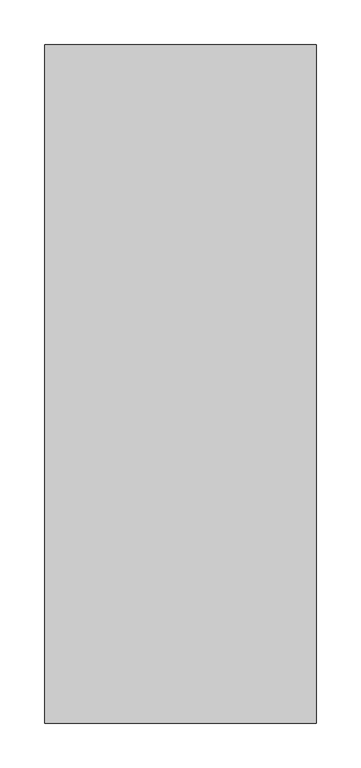
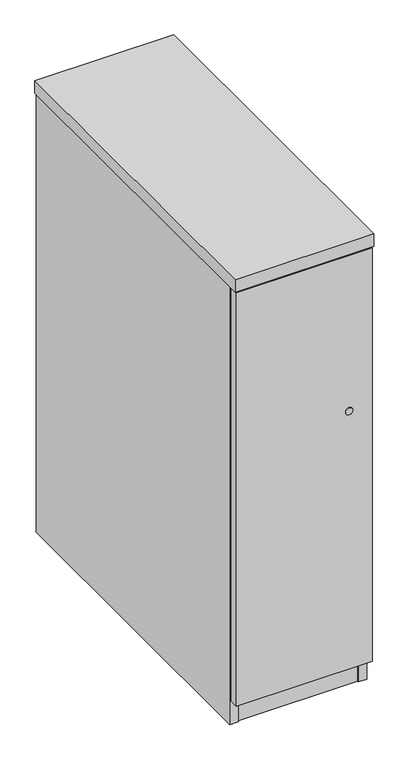
"""IFC4 building model written with IfcOpenShell, lengths in millimetres: furniture geometry."""

from ifc_helpers import new_model, si_unit, point, frame, frame_2d, origin, origin_with_axes, place, context, project, spatial, polyline, circle_curve, trimmed, segment, composite_curve, outline, extrude, source, transform, mapped, element, save


def furniture_11a62db7(model_context):
    return source(origin(), model_context, "Body", "SweptSolid", [
        extrude(outline(polyline([(30.486517, -689.3083769), (46.4343748, -680.1008769), (62.3822326, -689.3083769), (62.3822326, -707.7233769), (46.4343748, -716.9308769), (30.486517, -707.7233769), (30.486517, -689.3083769)])), origin_with_axes(), (0.0, 0.0, 1.0), 9.144),
        extrude(outline(polyline([(242.417767, -689.3083769), (258.3656248, -680.1008769), (274.3134826, -689.3083769), (274.3134826, -707.7233769), (258.3656248, -716.9308769), (242.417767, -707.7233769), (242.417767, -689.3083769)])), origin_with_axes(), (0.0, 0.0, 1.0), 9.144),
        extrude(outline(polyline([(242.417767, -46.4024214), (258.3656248, -37.1949214), (274.3134826, -46.4024214), (274.3134826, -64.8174214), (258.3656248, -74.0249214), (242.417767, -64.8174214), (242.417767, -46.4024214)])), origin_with_axes(), (0.0, 0.0, 1.0), 9.144),
        extrude(outline(polyline([(30.486517, -46.4024214), (46.4343748, -37.1949214), (62.3822326, -46.4024214), (62.3822326, -64.8174214), (46.4343748, -74.0249214), (30.486517, -64.8174214), (30.486517, -46.4024214)])), origin_with_axes(), (0.0, 0.0, 1.0), 9.144),
        extrude(outline(polyline([(283.9085154, -29.6567343), (283.9085154, -742.0610024), (20.8915005, -742.0610024), (20.8915005, -29.6567343), (283.9085154, -29.6567343)])), frame((0.0, 0.0, 785.0326657), z_axis=(0.0, 0.0, 1.0), x_axis=(1.0, 0.0, 0.0)), (0.0, 0.0, 1.0), 19.304),
        extrude(outline(composite_curve([segment(polyline([(-378.7162353, 735.9065257), (-378.7162353, 707.6313621)]), True, "CONTINUOUS"), segment(trimmed(circle_curve(frame_2d((-388.2412353, 707.6313621)), 9.525), [point((-378.7162353, 707.6313621))], [point((-397.7662353, 707.6313621))], False, "CARTESIAN"), True, "CONTINUOUS"), segment(polyline([(-397.7662353, 707.6313621), (-397.7662353, 735.9065257), (-396.1787353, 735.9065257), (-396.1787353, 707.6313621)]), True, "CONTINUOUS"), segment(trimmed(circle_curve(frame_2d((-388.2412353, 707.6313621)), 7.9375), [point((-396.1787353, 707.6313621))], [point((-380.3037353, 707.6313621))], True, "CARTESIAN"), True, "CONTINUOUS"), segment(polyline([(-380.3037353, 707.6313621), (-380.3037353, 735.9065257), (-378.7162353, 735.9065257)]), True, "CONTINUOUS")], self_intersect=False)), frame((265.6459151, 0.0, 0.0), z_axis=(1.0, 0.0, 0.0), x_axis=(0.0, 1.0, 0.0)), (0.0, 0.0, 1.0), 18.2626003),
        extrude(outline(composite_curve([segment(polyline([(-378.7162353, 735.9065257), (-378.7162353, 707.6313621)]), True, "CONTINUOUS"), segment(trimmed(circle_curve(frame_2d((-388.2412353, 707.6313621)), 9.525), [point((-378.7162353, 707.6313621))], [point((-397.7662353, 707.6313621))], False, "CARTESIAN"), True, "CONTINUOUS"), segment(polyline([(-397.7662353, 707.6313621), (-397.7662353, 735.9065257), (-396.1787353, 735.9065257), (-396.1787353, 707.6313621)]), True, "CONTINUOUS"), segment(trimmed(circle_curve(frame_2d((-388.2412353, 707.6313621)), 7.9375), [point((-396.1787353, 707.6313621))], [point((-380.3037353, 707.6313621))], True, "CARTESIAN"), True, "CONTINUOUS"), segment(polyline([(-380.3037353, 707.6313621), (-380.3037353, 735.9065257), (-378.7162353, 735.9065257)]), True, "CONTINUOUS")], self_intersect=False)), frame((20.8915005, 0.0, 0.0), z_axis=(1.0, 0.0, 0.0), x_axis=(0.0, 1.0, 0.0)), (0.0, 0.0, 1.0), 18.2626003),
        extrude(outline(composite_curve([segment(trimmed(circle_curve(frame_2d((-388.4663924, 707.6313621)), 7.4930019), [point((-380.9733905, 707.6313621))], [point((-395.9593944, 707.6313621))], False, "CARTESIAN"), True, "CONTINUOUS"), segment(polyline([(-395.9593944, 707.6313621), (-395.9593944, 722.6428005)]), True, "CONTINUOUS"), segment(trimmed(circle_curve(frame_2d((-388.4663924, 722.6428005)), 7.4930019), [point((-395.9593944, 722.6428005))], [point((-380.9733905, 722.6428005))], False, "CARTESIAN"), True, "CONTINUOUS"), segment(polyline([(-380.9733905, 722.6428005), (-380.9733905, 707.6313621)]), True, "CONTINUOUS")], self_intersect=False)), frame((21.5264999, 0.0, 0.0), z_axis=(1.0, 0.0, 0.0), x_axis=(0.0, 1.0, 0.0)), (0.0, 0.0, 1.0), 261.7470161),
        extrude(outline(polyline([(283.9085154, -742.8230199), (21.5264999, -742.8230199), (21.5264999, -723.5190019), (283.9085154, -723.5190019), (283.9085154, -742.8230199)])), frame((0.0, 0.0, 4.699), z_axis=(0.0, 0.0, 1.0), x_axis=(1.0, 0.0, 0.0)), (0.0, 0.0, 1.0), 55.56758),
        extrude(outline(polyline([(301.6250158, -767.6537353), (3.175, -767.6537353), (3.175, -748.3497537), (301.6250158, -748.3497537), (301.6250158, -767.6537353)])), frame((0.0, 0.0, 60.26658), z_axis=(0.0, 0.0, 1.0), x_axis=(1.0, 0.0, 0.0)), (0.0, 0.0, 1.0), 960.86422),
        extrude(outline(polyline([(283.9085154, -29.6567343), (283.9085154, -744.793745), (20.8915005, -744.793745), (20.8915005, -29.6567343), (283.9085154, -29.6567343)])), frame((0.0, 0.0, 1005.0017457), z_axis=(0.0, 0.0, 1.0), x_axis=(1.0, 0.0, 0.0)), (0.0, 0.0, 1.0), 19.3040543),
        extrude(outline(polyline([(304.8, -7.2412353), (304.8, -769.2412353), (0.0, -769.2412353), (0.0, -7.2412353), (304.8, -7.2412353)])), frame((0.0, 0.0, 1024.3058), z_axis=(0.0, 0.0, 1.0), x_axis=(1.0, 0.0, 0.0)), (0.0, 0.0, 1.0), 28.575),
        extrude(outline(polyline([(283.9085154, -29.6567343), (283.9085154, -744.793745), (20.8915005, -744.793745), (20.8915005, -29.6567343), (283.9085154, -29.6567343)])), frame((0.0, 0.0, 60.26658), z_axis=(0.0, 0.0, 1.0), x_axis=(1.0, 0.0, 0.0)), (0.0, 0.0, 1.0), 19.3040043),
        extrude(outline(polyline([(283.9085154, -10.3527351), (283.9085154, -29.6567343), (20.8915005, -29.6567343), (20.8915005, -10.3527351), (283.9085154, -10.3527351)])), frame((0.0, 0.0, 4.699), z_axis=(0.0, 0.0, 1.0), x_axis=(1.0, 0.0, 0.0)), (0.0, 0.0, 1.0), 1019.6068),
        extrude(outline(polyline([(20.8915005, -8.8287353), (20.8915005, -745.1747537), (1.5875, -745.1747537), (1.5875, -8.8287353), (20.8915005, -8.8287353)])), frame((0.0, 0.0, 4.699), z_axis=(0.0, 0.0, 1.0), x_axis=(1.0, 0.0, 0.0)), (0.0, 0.0, 1.0), 1019.6068),
        extrude(outline(polyline([(283.9085154, -8.8287353), (303.2125158, -8.8287353), (303.2125158, -745.1747537), (283.9085154, -745.1747537), (283.9085154, -8.8287353)])), frame((0.0, 0.0, 4.699), z_axis=(0.0, 0.0, 1.0), x_axis=(1.0, 0.0, 0.0)), (0.0, 0.0, 1.0), 1019.6068),
        extrude(outline(composite_curve([segment(trimmed(circle_curve(frame_2d((659.96058, 250.7615)), 8.001), [point((659.96058, 258.7625))], [point((659.96058, 242.7605))], False, "CARTESIAN"), True, "CONTINUOUS"), segment(trimmed(circle_curve(frame_2d((659.96058, 250.7615)), 8.001), [point((659.96058, 242.7605))], [point((659.96058, 258.7625))], False, "CARTESIAN"), True, "CONTINUOUS")], self_intersect=False)), frame((0.0, -769.2412353, 0.0), z_axis=(0.0, 1.0, 0.0), x_axis=(0.0, 0.0, 1.0)), (0.0, 0.0, 1.0), 1.5875),
    ])


if __name__ == "__main__":
    model = new_model("IFC4")
    model_context = context("Model", 3, world=origin())
    ifc_project = project(units=[si_unit("LENGTHUNIT", "METRE", prefix="MILLI")], contexts=[model_context])
    site = spatial("IfcSite", under=ifc_project)
    building = spatial("IfcBuilding", under=site)
    placement = place(None, origin())
    furniture_shape = furniture_11a62db7(model_context)
    element("IfcFurniture", 1, at=placement, inside=building, context=model_context, shape_type="MappedRepresentation", body=[
        mapped(furniture_shape, transform((0.0, 0.0, 0.0), x_axis=(1.0, 0.0, 0.0), y_axis=(0.0, 1.0, 0.0), z_axis=(0.0, 0.0, 1.0))),
    ])
    save(model, "model.ifc")
